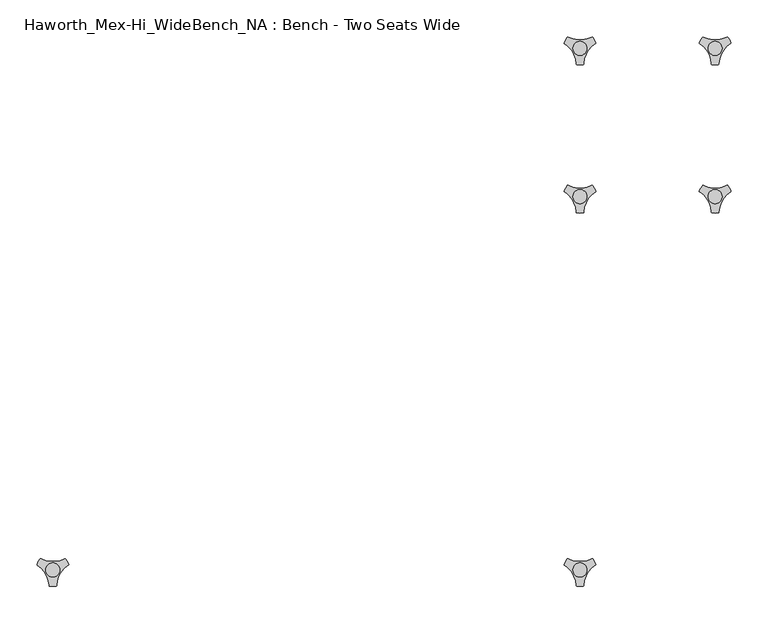
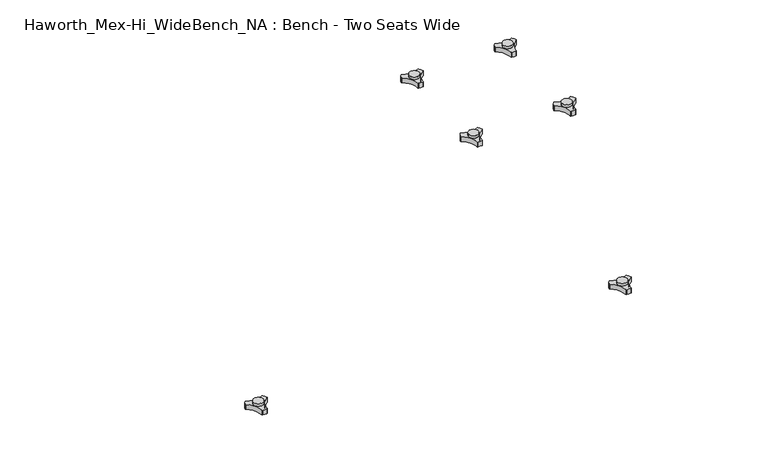
"""IFC4 building model written with IfcOpenShell, lengths in millimetres: furniture geometry, Haworth_Mex-Hi_WideBench_NA : Bench - Two Seats Wide."""

from ifc_helpers import new_model, si_unit, frame, origin, place, context, project, spatial, polyline, circle_curve, source, transform, mapped, element, save
from ifc_brep_helpers import plane_surface, cylinder_surface, revolved_surface, advanced_brep


def haworth_mex_hi_widebench_na_bench_two_seats_wide_e05f9d58(model_context):
    return source(origin(), model_context, "Body", "AdvancedBrep", [
        advanced_brep(
        [(373.838792, -130.2721038, 98.611642), (369.6162038, -137.585841, 98.611642), (370.0141527, -138.7518724, 98.611642), (385.8334234, -166.1516574, 98.611642), (386.6442569, -167.0792988, 98.611642), (395.0894355, -167.0792988, 98.611642), (395.8939637, -165.9895174, 98.611642), (411.9962168, -138.4877144, 98.611642), (412.1174938, -137.5858427, 98.611642), (407.8949039, -130.2721023, 98.611642), (406.6861204, -130.0337175, 98.611642), (375.047572, -130.0337175, 98.611642), (400.2397227, -145.1926245, 98.611642), (381.3347108, -145.1926245, 98.611642), (373.838792, -130.2721038, 88.6531552), (375.047572, -130.0337175, 88.6531552), (406.6861204, -130.0337175, 88.6531552), (407.8949039, -130.2721023, 88.6531552), (412.1174938, -137.5858427, 88.6531552), (411.9962168, -138.4877144, 88.6531552), (395.8939637, -165.9895174, 88.6531552), (395.0894355, -167.0792988, 88.6531552), (386.6442569, -167.0792988, 88.6531552), (385.8334234, -166.1516574, 88.6531552), (370.0141527, -138.7518724, 88.6531552), (369.6162038, -137.585841, 88.6531552), (381.3347108, -145.1926245, 103.6569541), (400.2397227, -145.1926245, 103.6569541)],
        [
            (0, 1, circle_curve(frame((392.09828, -145.690049, 98.611642), z_axis=(0.0, 0.0, 1.0), x_axis=(1.0, 0.0, 0.0)), 23.8981576)),
            (1, 2, circle_curve(frame((370.5437624, -137.920202, 98.611642), z_axis=(0.0, 0.0, 1.0), x_axis=(1.0, 0.0, 0.0)), 0.9859828)),
            (2, 3, circle_curve(frame((351.6187827, -167.6389644, 98.611642), z_axis=(0.0, 0.0, -1.0), x_axis=(1.0, 0.0, 0.0)), 34.246952)),
            (3, 4, circle_curve(frame((386.8184668, -166.1088376, 98.611642), z_axis=(0.0, 0.0, 1.0), x_axis=(1.0, 0.0, 0.0)), 0.9859736)),
            (4, 5, circle_curve(frame((390.8668462, -143.5567534, 98.611642), z_axis=(0.0, 0.0, 1.0), x_axis=(1.0, 0.0, 0.0)), 23.8985439)),
            (5, 6, circle_curve(frame((394.9152236, -166.1088262, 98.611642), z_axis=(0.0, 0.0, 1.0), x_axis=(1.0, 0.0, 0.0)), 0.9859852)),
            (6, 7, circle_curve(frame((430.1156373, -167.5614211, 98.611642), z_axis=(0.0, 0.0, -1.0), x_axis=(1.0, 0.0, 0.0)), 34.2577557)),
            (7, 8, circle_curve(frame((411.1899324, -137.9202011, 98.611642), z_axis=(0.0, 0.0, 1.0), x_axis=(1.0, 0.0, 0.0)), 0.9859847)),
            (8, 9, circle_curve(frame((389.6358034, -145.6898258, 98.611642), z_axis=(0.0, 0.0, 1.0), x_axis=(1.0, 0.0, 0.0)), 23.8977184)),
            (9, 10, circle_curve(frame((407.1415576, -130.9082171, 98.611642), z_axis=(0.0, 0.0, 1.0), x_axis=(1.0, 0.0, 0.0)), 0.9859881)),
            (10, 11, circle_curve(frame((390.8668462, -99.6586209, 98.611642), z_axis=(0.0, 0.0, -1.0), x_axis=(1.0, 0.0, 0.0)), 34.2475683)),
            (11, 0, circle_curve(frame((374.5921369, -130.9082131, 98.611642), z_axis=(0.0, 0.0, 1.0), x_axis=(1.0, 0.0, 0.0)), 0.9859835)),
            (12, 13, circle_curve(frame((390.7872168, -145.1926245, 98.611642), z_axis=(0.0, 0.0, -1.0), x_axis=(1.0, 0.0, 0.0)), 9.452506)),
            (13, 12, circle_curve(frame((390.7872168, -145.1926245, 98.611642), z_axis=(0.0, 0.0, -1.0), x_axis=(1.0, 0.0, 0.0)), 9.452506)),
            (14, 15, circle_curve(frame((374.5921369, -130.9082131, 88.6531552), z_axis=(0.0, 0.0, -1.0), x_axis=(1.0, 0.0, 0.0)), 0.9859835)),
            (15, 16, circle_curve(frame((390.8668462, -99.6586209, 88.6531552), z_axis=(0.0, 0.0, 1.0), x_axis=(1.0, 0.0, 0.0)), 34.2475683)),
            (16, 17, circle_curve(frame((407.1415576, -130.9082171, 88.6531552), z_axis=(0.0, 0.0, -1.0), x_axis=(1.0, 0.0, 0.0)), 0.9859881)),
            (17, 18, circle_curve(frame((389.6358034, -145.6898258, 88.6531552), z_axis=(0.0, 0.0, -1.0), x_axis=(1.0, 0.0, 0.0)), 23.8977184)),
            (18, 19, circle_curve(frame((411.1899324, -137.9202011, 88.6531552), z_axis=(0.0, 0.0, -1.0), x_axis=(1.0, 0.0, 0.0)), 0.9859847)),
            (19, 20, circle_curve(frame((430.1156373, -167.5614211, 88.6531552), z_axis=(0.0, 0.0, 1.0), x_axis=(1.0, 0.0, 0.0)), 34.2577557)),
            (20, 21, circle_curve(frame((394.9152236, -166.1088262, 88.6531552), z_axis=(0.0, 0.0, -1.0), x_axis=(1.0, 0.0, 0.0)), 0.9859852)),
            (21, 22, circle_curve(frame((390.8668462, -143.5567534, 88.6531552), z_axis=(0.0, 0.0, -1.0), x_axis=(1.0, 0.0, 0.0)), 23.8985439)),
            (22, 23, circle_curve(frame((386.8184668, -166.1088376, 88.6531552), z_axis=(0.0, 0.0, -1.0), x_axis=(1.0, 0.0, 0.0)), 0.9859736)),
            (23, 24, circle_curve(frame((351.6187827, -167.6389644, 88.6531552), z_axis=(0.0, 0.0, 1.0), x_axis=(1.0, 0.0, 0.0)), 34.246952)),
            (24, 25, circle_curve(frame((370.5437624, -137.920202, 88.6531552), z_axis=(0.0, 0.0, -1.0), x_axis=(1.0, 0.0, 0.0)), 0.9859828)),
            (25, 14, circle_curve(frame((392.09828, -145.690049, 88.6531552), z_axis=(0.0, 0.0, -1.0), x_axis=(1.0, 0.0, 0.0)), 23.8981576)),
            (26, 27, circle_curve(frame((390.7872168, -145.1926245, 103.6569541), z_axis=(0.0, 0.0, 1.0), x_axis=(1.0, 0.0, 0.0)), 9.452506)),
            (27, 26, circle_curve(frame((390.7872168, -145.1926245, 103.6569541), z_axis=(0.0, 0.0, 1.0), x_axis=(1.0, 0.0, 0.0)), 9.452506)),
            (0, 14),
            (25, 1),
            (24, 2),
            (23, 3),
            (22, 4),
            (21, 5),
            (20, 6),
            (19, 7),
            (18, 8),
            (17, 9),
            (16, 10),
            (15, 11),
            (26, 13),
            (12, 27),
        ],
        [
            plane_surface(frame((415.9964377, -145.690049, 98.611642), z_axis=(0.0, 0.0, 1.0), x_axis=(0.0, 1.0, 0.0))),
            plane_surface(frame((415.9964377, -145.690049, 88.6531552), z_axis=(0.0, 0.0, -1.0), x_axis=(0.0, -1.0, 0.0))),
            plane_surface(frame((400.2397227, -145.1926245, 103.6569541), z_axis=(0.0, 0.0, 1.0), x_axis=(0.0, 1.0, 0.0))),
            cylinder_surface(frame((392.09828, -145.690049, 88.6531552), z_axis=(0.0, 0.0, 1.0), x_axis=(1.0, 0.0, 0.0)), 23.8981576),
            cylinder_surface(frame((370.5437624, -137.920202, 88.6531552), z_axis=(0.0, 0.0, 1.0), x_axis=(1.0, 0.0, 0.0)), 0.9859828),
            revolved_surface(polyline([(385.8657347, -167.6389644, 88.6531552), (385.8657347, -167.6389644, 98.611642)]), (351.6187827, -167.6389644, 88.6531552), (0.0, 0.0, -1.0)),
            cylinder_surface(frame((386.8184668, -166.1088376, 88.6531552), z_axis=(0.0, 0.0, 1.0), x_axis=(1.0, 0.0, 0.0)), 0.9859736),
            cylinder_surface(frame((390.8668462, -143.5567534, 88.6531552), z_axis=(0.0, 0.0, 1.0), x_axis=(1.0, 0.0, 0.0)), 23.8985439),
            cylinder_surface(frame((394.9152236, -166.1088262, 88.6531552), z_axis=(0.0, 0.0, 1.0), x_axis=(1.0, 0.0, 0.0)), 0.9859852),
            revolved_surface(polyline([(464.373393, -167.5614211, 88.6531552), (464.373393, -167.5614211, 98.611642)]), (430.1156373, -167.5614211, 88.6531552), (0.0, 0.0, -1.0)),
            cylinder_surface(frame((411.1899324, -137.9202011, 88.6531552), z_axis=(0.0, 0.0, 1.0), x_axis=(1.0, 0.0, 0.0)), 0.9859847),
            cylinder_surface(frame((389.6358034, -145.6898258, 88.6531552), z_axis=(0.0, 0.0, 1.0), x_axis=(1.0, 0.0, 0.0)), 23.8977184),
            cylinder_surface(frame((407.1415576, -130.9082171, 88.6531552), z_axis=(0.0, 0.0, 1.0), x_axis=(1.0, 0.0, 0.0)), 0.9859881),
            revolved_surface(polyline([(425.1144145, -99.6586209, 88.6531552), (425.1144145, -99.6586209, 98.611642)]), (390.8668462, -99.6586209, 88.6531552), (0.0, 0.0, -1.0)),
            cylinder_surface(frame((374.5921369, -130.9082131, 88.6531552), z_axis=(0.0, 0.0, 1.0), x_axis=(1.0, 0.0, 0.0)), 0.9859835),
            cylinder_surface(frame((390.7872168, -145.1926245, 98.611642), z_axis=(0.0, 0.0, 1.0), x_axis=(1.0, 0.0, 0.0)), 9.452506),
        ],
        [
            (0, [[1, 2, 3, 4, 5, 6, 7, 8, 9, 10, 11, 12], [13, 14]]),
            (1, [[15, 16, 17, 18, 19, 20, 21, 22, 23, 24, 25, 26]]),
            (2, [[27, 28]]),
            (3, [[-1, 29, -26, 30]]),
            (4, [[-2, -30, -25, 31]]),
            (5, [[-3, -31, -24, 32]]),
            (6, [[-4, -32, -23, 33]]),
            (7, [[-5, -33, -22, 34]]),
            (8, [[-6, -34, -21, 35]]),
            (9, [[-7, -35, -20, 36]]),
            (10, [[-8, -36, -19, 37]]),
            (11, [[-9, -37, -18, 38]]),
            (12, [[-10, -38, -17, 39]]),
            (13, [[-11, -39, -16, 40]]),
            (14, [[-12, -40, -15, -29]]),
            (15, [[-27, 41, -13, 42]]),
            (15, [[-28, -42, -14, -41]]),
        ],
    ),
        advanced_brep(
        [(373.838792, 69.7278978, 98.611642), (369.6162038, 62.4141605, 98.611642), (370.0141527, 61.2481292, 98.611642), (385.8334234, 33.8483441, 98.611642), (386.6442569, 32.9207027, 98.611642), (395.0894355, 32.9207027, 98.611642), (395.8939637, 34.0104841, 98.611642), (411.9962168, 61.5122871, 98.611642), (412.1174938, 62.4141588, 98.611642), (407.8949039, 69.7278992, 98.611642), (406.6861204, 69.966284, 98.611642), (375.047572, 69.966284, 98.611642), (400.2397227, 54.807377, 98.611642), (381.3347108, 54.807377, 98.611642), (373.838792, 69.7278978, 88.6531552), (375.047572, 69.966284, 88.6531552), (406.6861204, 69.966284, 88.6531552), (407.8949039, 69.7278992, 88.6531552), (412.1174938, 62.4141588, 88.6531552), (411.9962168, 61.5122871, 88.6531552), (395.8939637, 34.0104841, 88.6531552), (395.0894355, 32.9207027, 88.6531552), (386.6442569, 32.9207027, 88.6531552), (385.8334234, 33.8483441, 88.6531552), (370.0141527, 61.2481292, 88.6531552), (369.6162038, 62.4141605, 88.6531552), (381.3347108, 54.807377, 103.6569541), (400.2397227, 54.807377, 103.6569541)],
        [
            (0, 1, circle_curve(frame((392.09828, 54.3099526, 98.611642), z_axis=(0.0, 0.0, 1.0), x_axis=(1.0, 0.0, 0.0)), 23.8981576)),
            (1, 2, circle_curve(frame((370.5437624, 62.0797996, 98.611642), z_axis=(0.0, 0.0, 1.0), x_axis=(1.0, 0.0, 0.0)), 0.9859828)),
            (2, 3, circle_curve(frame((351.6187827, 32.3610372, 98.611642), z_axis=(0.0, 0.0, -1.0), x_axis=(1.0, 0.0, 0.0)), 34.246952)),
            (3, 4, circle_curve(frame((386.8184668, 33.8911639, 98.611642), z_axis=(0.0, 0.0, 1.0), x_axis=(1.0, 0.0, 0.0)), 0.9859736)),
            (4, 5, circle_curve(frame((390.8668462, 56.4432481, 98.611642), z_axis=(0.0, 0.0, 1.0), x_axis=(1.0, 0.0, 0.0)), 23.8985439)),
            (5, 6, circle_curve(frame((394.9152236, 33.8911753, 98.611642), z_axis=(0.0, 0.0, 1.0), x_axis=(1.0, 0.0, 0.0)), 0.9859852)),
            (6, 7, circle_curve(frame((430.1156373, 32.4385804, 98.611642), z_axis=(0.0, 0.0, -1.0), x_axis=(1.0, 0.0, 0.0)), 34.2577557)),
            (7, 8, circle_curve(frame((411.1899324, 62.0798004, 98.611642), z_axis=(0.0, 0.0, 1.0), x_axis=(1.0, 0.0, 0.0)), 0.9859847)),
            (8, 9, circle_curve(frame((389.6358034, 54.3101757, 98.611642), z_axis=(0.0, 0.0, 1.0), x_axis=(1.0, 0.0, 0.0)), 23.8977184)),
            (9, 10, circle_curve(frame((407.1415576, 69.0917844, 98.611642), z_axis=(0.0, 0.0, 1.0), x_axis=(1.0, 0.0, 0.0)), 0.9859881)),
            (10, 11, circle_curve(frame((390.8668462, 100.3413806, 98.611642), z_axis=(0.0, 0.0, -1.0), x_axis=(1.0, 0.0, 0.0)), 34.2475683)),
            (11, 0, circle_curve(frame((374.5921369, 69.0917885, 98.611642), z_axis=(0.0, 0.0, 1.0), x_axis=(1.0, 0.0, 0.0)), 0.9859835)),
            (12, 13, circle_curve(frame((390.7872168, 54.807377, 98.611642), z_axis=(0.0, 0.0, -1.0), x_axis=(1.0, 0.0, 0.0)), 9.452506)),
            (13, 12, circle_curve(frame((390.7872168, 54.807377, 98.611642), z_axis=(0.0, 0.0, -1.0), x_axis=(1.0, 0.0, 0.0)), 9.452506)),
            (14, 15, circle_curve(frame((374.5921369, 69.0917885, 88.6531552), z_axis=(0.0, 0.0, -1.0), x_axis=(1.0, 0.0, 0.0)), 0.9859835)),
            (15, 16, circle_curve(frame((390.8668462, 100.3413806, 88.6531552), z_axis=(0.0, 0.0, 1.0), x_axis=(1.0, 0.0, 0.0)), 34.2475683)),
            (16, 17, circle_curve(frame((407.1415576, 69.0917844, 88.6531552), z_axis=(0.0, 0.0, -1.0), x_axis=(1.0, 0.0, 0.0)), 0.9859881)),
            (17, 18, circle_curve(frame((389.6358034, 54.3101757, 88.6531552), z_axis=(0.0, 0.0, -1.0), x_axis=(1.0, 0.0, 0.0)), 23.8977184)),
            (18, 19, circle_curve(frame((411.1899324, 62.0798004, 88.6531552), z_axis=(0.0, 0.0, -1.0), x_axis=(1.0, 0.0, 0.0)), 0.9859847)),
            (19, 20, circle_curve(frame((430.1156373, 32.4385804, 88.6531552), z_axis=(0.0, 0.0, 1.0), x_axis=(1.0, 0.0, 0.0)), 34.2577557)),
            (20, 21, circle_curve(frame((394.9152236, 33.8911753, 88.6531552), z_axis=(0.0, 0.0, -1.0), x_axis=(1.0, 0.0, 0.0)), 0.9859852)),
            (21, 22, circle_curve(frame((390.8668462, 56.4432481, 88.6531552), z_axis=(0.0, 0.0, -1.0), x_axis=(1.0, 0.0, 0.0)), 23.8985439)),
            (22, 23, circle_curve(frame((386.8184668, 33.8911639, 88.6531552), z_axis=(0.0, 0.0, -1.0), x_axis=(1.0, 0.0, 0.0)), 0.9859736)),
            (23, 24, circle_curve(frame((351.6187827, 32.3610372, 88.6531552), z_axis=(0.0, 0.0, 1.0), x_axis=(1.0, 0.0, 0.0)), 34.246952)),
            (24, 25, circle_curve(frame((370.5437624, 62.0797996, 88.6531552), z_axis=(0.0, 0.0, -1.0), x_axis=(1.0, 0.0, 0.0)), 0.9859828)),
            (25, 14, circle_curve(frame((392.09828, 54.3099526, 88.6531552), z_axis=(0.0, 0.0, -1.0), x_axis=(1.0, 0.0, 0.0)), 23.8981576)),
            (26, 27, circle_curve(frame((390.7872168, 54.807377, 103.6569541), z_axis=(0.0, 0.0, 1.0), x_axis=(1.0, 0.0, 0.0)), 9.452506)),
            (27, 26, circle_curve(frame((390.7872168, 54.807377, 103.6569541), z_axis=(0.0, 0.0, 1.0), x_axis=(1.0, 0.0, 0.0)), 9.452506)),
            (0, 14),
            (25, 1),
            (24, 2),
            (23, 3),
            (22, 4),
            (21, 5),
            (20, 6),
            (19, 7),
            (18, 8),
            (17, 9),
            (16, 10),
            (15, 11),
            (26, 13),
            (12, 27),
        ],
        [
            plane_surface(frame((415.9964377, 54.3099526, 98.611642), z_axis=(0.0, 0.0, 1.0), x_axis=(0.0, 1.0, 0.0))),
            plane_surface(frame((415.9964377, 54.3099526, 88.6531552), z_axis=(0.0, 0.0, -1.0), x_axis=(0.0, -1.0, 0.0))),
            plane_surface(frame((400.2397227, 54.807377, 103.6569541), z_axis=(0.0, 0.0, 1.0), x_axis=(0.0, 1.0, 0.0))),
            cylinder_surface(frame((392.09828, 54.3099526, 88.6531552), z_axis=(0.0, 0.0, 1.0), x_axis=(1.0, 0.0, 0.0)), 23.8981576),
            cylinder_surface(frame((370.5437624, 62.0797996, 88.6531552), z_axis=(0.0, 0.0, 1.0), x_axis=(1.0, 0.0, 0.0)), 0.9859828),
            revolved_surface(polyline([(385.8657347, 32.3610372, 88.6531552), (385.8657347, 32.3610372, 98.611642)]), (351.6187827, 32.3610372, 88.6531552), (0.0, 0.0, -1.0)),
            cylinder_surface(frame((386.8184668, 33.8911639, 88.6531552), z_axis=(0.0, 0.0, 1.0), x_axis=(1.0, 0.0, 0.0)), 0.9859736),
            cylinder_surface(frame((390.8668462, 56.4432481, 88.6531552), z_axis=(0.0, 0.0, 1.0), x_axis=(1.0, 0.0, 0.0)), 23.8985439),
            cylinder_surface(frame((394.9152236, 33.8911753, 88.6531552), z_axis=(0.0, 0.0, 1.0), x_axis=(1.0, 0.0, 0.0)), 0.9859852),
            revolved_surface(polyline([(464.373393, 32.4385804, 88.6531552), (464.373393, 32.4385804, 98.611642)]), (430.1156373, 32.4385804, 88.6531552), (0.0, 0.0, -1.0)),
            cylinder_surface(frame((411.1899324, 62.0798004, 88.6531552), z_axis=(0.0, 0.0, 1.0), x_axis=(1.0, 0.0, 0.0)), 0.9859847),
            cylinder_surface(frame((389.6358034, 54.3101757, 88.6531552), z_axis=(0.0, 0.0, 1.0), x_axis=(1.0, 0.0, 0.0)), 23.8977184),
            cylinder_surface(frame((407.1415576, 69.0917844, 88.6531552), z_axis=(0.0, 0.0, 1.0), x_axis=(1.0, 0.0, 0.0)), 0.9859881),
            revolved_surface(polyline([(425.1144145, 100.3413806, 88.6531552), (425.1144145, 100.3413806, 98.611642)]), (390.8668462, 100.3413806, 88.6531552), (0.0, 0.0, -1.0)),
            cylinder_surface(frame((374.5921369, 69.0917885, 88.6531552), z_axis=(0.0, 0.0, 1.0), x_axis=(1.0, 0.0, 0.0)), 0.9859835),
            cylinder_surface(frame((390.7872168, 54.807377, 98.611642), z_axis=(0.0, 0.0, 1.0), x_axis=(1.0, 0.0, 0.0)), 9.452506),
        ],
        [
            (0, [[1, 2, 3, 4, 5, 6, 7, 8, 9, 10, 11, 12], [13, 14]]),
            (1, [[15, 16, 17, 18, 19, 20, 21, 22, 23, 24, 25, 26]]),
            (2, [[27, 28]]),
            (3, [[-1, 29, -26, 30]]),
            (4, [[-2, -30, -25, 31]]),
            (5, [[-3, -31, -24, 32]]),
            (6, [[-4, -32, -23, 33]]),
            (7, [[-5, -33, -22, 34]]),
            (8, [[-6, -34, -21, 35]]),
            (9, [[-7, -35, -20, 36]]),
            (10, [[-8, -36, -19, 37]]),
            (11, [[-9, -37, -18, 38]]),
            (12, [[-10, -38, -17, 39]]),
            (13, [[-11, -39, -16, 40]]),
            (14, [[-12, -40, -15, -29]]),
            (15, [[-27, 41, -13, 42]]),
            (15, [[-28, -42, -14, -41]]),
        ],
    ),
        advanced_brep(
        [(191.4388063, 69.7278978, 98.611642), (187.2162181, 62.4141605, 98.611642), (187.614167, 61.2481292, 98.611642), (203.4334377, 33.8483441, 98.611642), (204.2442712, 32.9207027, 98.611642), (212.6894498, 32.9207027, 98.611642), (213.493978, 34.0104841, 98.611642), (229.5962311, 61.5122871, 98.611642), (229.7175081, 62.4141588, 98.611642), (225.4949182, 69.7278992, 98.611642), (224.2861347, 69.966284, 98.611642), (192.6475863, 69.966284, 98.611642), (217.839737, 54.807377, 98.611642), (198.9347251, 54.807377, 98.611642), (191.4388063, 69.7278978, 88.6531552), (192.6475863, 69.966284, 88.6531552), (224.2861347, 69.966284, 88.6531552), (225.4949182, 69.7278992, 88.6531552), (229.7175081, 62.4141588, 88.6531552), (229.5962311, 61.5122871, 88.6531552), (213.493978, 34.0104841, 88.6531552), (212.6894498, 32.9207027, 88.6531552), (204.2442712, 32.9207027, 88.6531552), (203.4334377, 33.8483441, 88.6531552), (187.614167, 61.2481292, 88.6531552), (187.2162181, 62.4141605, 88.6531552), (198.9347251, 54.807377, 103.6569541), (217.839737, 54.807377, 103.6569541)],
        [
            (0, 1, circle_curve(frame((209.6982944, 54.3099526, 98.611642), z_axis=(0.0, 0.0, 1.0), x_axis=(1.0, 0.0, 0.0)), 23.8981576)),
            (1, 2, circle_curve(frame((188.1437767, 62.0797996, 98.611642), z_axis=(0.0, 0.0, 1.0), x_axis=(1.0, 0.0, 0.0)), 0.9859828)),
            (2, 3, circle_curve(frame((169.218797, 32.3610372, 98.611642), z_axis=(0.0, 0.0, -1.0), x_axis=(1.0, 0.0, 0.0)), 34.246952)),
            (3, 4, circle_curve(frame((204.4184811, 33.8911639, 98.611642), z_axis=(0.0, 0.0, 1.0), x_axis=(1.0, 0.0, 0.0)), 0.9859736)),
            (4, 5, circle_curve(frame((208.4668605, 56.4432481, 98.611642), z_axis=(0.0, 0.0, 1.0), x_axis=(1.0, 0.0, 0.0)), 23.8985439)),
            (5, 6, circle_curve(frame((212.5152379, 33.8911753, 98.611642), z_axis=(0.0, 0.0, 1.0), x_axis=(1.0, 0.0, 0.0)), 0.9859852)),
            (6, 7, circle_curve(frame((247.7156517, 32.4385804, 98.611642), z_axis=(0.0, 0.0, -1.0), x_axis=(1.0, 0.0, 0.0)), 34.2577557)),
            (7, 8, circle_curve(frame((228.7899467, 62.0798004, 98.611642), z_axis=(0.0, 0.0, 1.0), x_axis=(1.0, 0.0, 0.0)), 0.9859847)),
            (8, 9, circle_curve(frame((207.2358178, 54.3101757, 98.611642), z_axis=(0.0, 0.0, 1.0), x_axis=(1.0, 0.0, 0.0)), 23.8977184)),
            (9, 10, circle_curve(frame((224.7415719, 69.0917844, 98.611642), z_axis=(0.0, 0.0, 1.0), x_axis=(1.0, 0.0, 0.0)), 0.9859881)),
            (10, 11, circle_curve(frame((208.4668605, 100.3413806, 98.611642), z_axis=(0.0, 0.0, -1.0), x_axis=(1.0, 0.0, 0.0)), 34.2475683)),
            (11, 0, circle_curve(frame((192.1921512, 69.0917885, 98.611642), z_axis=(0.0, 0.0, 1.0), x_axis=(1.0, 0.0, 0.0)), 0.9859835)),
            (12, 13, circle_curve(frame((208.3872311, 54.807377, 98.611642), z_axis=(0.0, 0.0, -1.0), x_axis=(1.0, 0.0, 0.0)), 9.452506)),
            (13, 12, circle_curve(frame((208.3872311, 54.807377, 98.611642), z_axis=(0.0, 0.0, -1.0), x_axis=(1.0, 0.0, 0.0)), 9.452506)),
            (14, 15, circle_curve(frame((192.1921512, 69.0917885, 88.6531552), z_axis=(0.0, 0.0, -1.0), x_axis=(1.0, 0.0, 0.0)), 0.9859835)),
            (15, 16, circle_curve(frame((208.4668605, 100.3413806, 88.6531552), z_axis=(0.0, 0.0, 1.0), x_axis=(1.0, 0.0, 0.0)), 34.2475683)),
            (16, 17, circle_curve(frame((224.7415719, 69.0917844, 88.6531552), z_axis=(0.0, 0.0, -1.0), x_axis=(1.0, 0.0, 0.0)), 0.9859881)),
            (17, 18, circle_curve(frame((207.2358178, 54.3101757, 88.6531552), z_axis=(0.0, 0.0, -1.0), x_axis=(1.0, 0.0, 0.0)), 23.8977184)),
            (18, 19, circle_curve(frame((228.7899467, 62.0798004, 88.6531552), z_axis=(0.0, 0.0, -1.0), x_axis=(1.0, 0.0, 0.0)), 0.9859847)),
            (19, 20, circle_curve(frame((247.7156517, 32.4385804, 88.6531552), z_axis=(0.0, 0.0, 1.0), x_axis=(1.0, 0.0, 0.0)), 34.2577557)),
            (20, 21, circle_curve(frame((212.5152379, 33.8911753, 88.6531552), z_axis=(0.0, 0.0, -1.0), x_axis=(1.0, 0.0, 0.0)), 0.9859852)),
            (21, 22, circle_curve(frame((208.4668605, 56.4432481, 88.6531552), z_axis=(0.0, 0.0, -1.0), x_axis=(1.0, 0.0, 0.0)), 23.8985439)),
            (22, 23, circle_curve(frame((204.4184811, 33.8911639, 88.6531552), z_axis=(0.0, 0.0, -1.0), x_axis=(1.0, 0.0, 0.0)), 0.9859736)),
            (23, 24, circle_curve(frame((169.218797, 32.3610372, 88.6531552), z_axis=(0.0, 0.0, 1.0), x_axis=(1.0, 0.0, 0.0)), 34.246952)),
            (24, 25, circle_curve(frame((188.1437767, 62.0797996, 88.6531552), z_axis=(0.0, 0.0, -1.0), x_axis=(1.0, 0.0, 0.0)), 0.9859828)),
            (25, 14, circle_curve(frame((209.6982944, 54.3099526, 88.6531552), z_axis=(0.0, 0.0, -1.0), x_axis=(1.0, 0.0, 0.0)), 23.8981576)),
            (26, 27, circle_curve(frame((208.3872311, 54.807377, 103.6569541), z_axis=(0.0, 0.0, 1.0), x_axis=(1.0, 0.0, 0.0)), 9.452506)),
            (27, 26, circle_curve(frame((208.3872311, 54.807377, 103.6569541), z_axis=(0.0, 0.0, 1.0), x_axis=(1.0, 0.0, 0.0)), 9.452506)),
            (0, 14),
            (25, 1),
            (24, 2),
            (23, 3),
            (22, 4),
            (21, 5),
            (20, 6),
            (19, 7),
            (18, 8),
            (17, 9),
            (16, 10),
            (15, 11),
            (26, 13),
            (12, 27),
        ],
        [
            plane_surface(frame((233.596452, 54.3099526, 98.611642), z_axis=(0.0, 0.0, 1.0), x_axis=(0.0, 1.0, 0.0))),
            plane_surface(frame((233.596452, 54.3099526, 88.6531552), z_axis=(0.0, 0.0, -1.0), x_axis=(0.0, -1.0, 0.0))),
            plane_surface(frame((217.839737, 54.807377, 103.6569541), z_axis=(0.0, 0.0, 1.0), x_axis=(0.0, 1.0, 0.0))),
            cylinder_surface(frame((209.6982944, 54.3099526, 88.6531552), z_axis=(0.0, 0.0, 1.0), x_axis=(1.0, 0.0, 0.0)), 23.8981576),
            cylinder_surface(frame((188.1437767, 62.0797996, 88.6531552), z_axis=(0.0, 0.0, 1.0), x_axis=(1.0, 0.0, 0.0)), 0.9859828),
            revolved_surface(polyline([(203.465749, 32.3610372, 88.6531552), (203.465749, 32.3610372, 98.611642)]), (169.218797, 32.3610372, 88.6531552), (0.0, 0.0, -1.0)),
            cylinder_surface(frame((204.4184811, 33.8911639, 88.6531552), z_axis=(0.0, 0.0, 1.0), x_axis=(1.0, 0.0, 0.0)), 0.9859736),
            cylinder_surface(frame((208.4668605, 56.4432481, 88.6531552), z_axis=(0.0, 0.0, 1.0), x_axis=(1.0, 0.0, 0.0)), 23.8985439),
            cylinder_surface(frame((212.5152379, 33.8911753, 88.6531552), z_axis=(0.0, 0.0, 1.0), x_axis=(1.0, 0.0, 0.0)), 0.9859852),
            revolved_surface(polyline([(281.9734074, 32.4385804, 88.6531552), (281.9734074, 32.4385804, 98.611642)]), (247.7156517, 32.4385804, 88.6531552), (0.0, 0.0, -1.0)),
            cylinder_surface(frame((228.7899467, 62.0798004, 88.6531552), z_axis=(0.0, 0.0, 1.0), x_axis=(1.0, 0.0, 0.0)), 0.9859847),
            cylinder_surface(frame((207.2358178, 54.3101757, 88.6531552), z_axis=(0.0, 0.0, 1.0), x_axis=(1.0, 0.0, 0.0)), 23.8977184),
            cylinder_surface(frame((224.7415719, 69.0917844, 88.6531552), z_axis=(0.0, 0.0, 1.0), x_axis=(1.0, 0.0, 0.0)), 0.9859881),
            revolved_surface(polyline([(242.7144288, 100.3413806, 88.6531552), (242.7144288, 100.3413806, 98.611642)]), (208.4668605, 100.3413806, 88.6531552), (0.0, 0.0, -1.0)),
            cylinder_surface(frame((192.1921512, 69.0917885, 88.6531552), z_axis=(0.0, 0.0, 1.0), x_axis=(1.0, 0.0, 0.0)), 0.9859835),
            cylinder_surface(frame((208.3872311, 54.807377, 98.611642), z_axis=(0.0, 0.0, 1.0), x_axis=(1.0, 0.0, 0.0)), 9.452506),
        ],
        [
            (0, [[1, 2, 3, 4, 5, 6, 7, 8, 9, 10, 11, 12], [13, 14]]),
            (1, [[15, 16, 17, 18, 19, 20, 21, 22, 23, 24, 25, 26]]),
            (2, [[27, 28]]),
            (3, [[-1, 29, -26, 30]]),
            (4, [[-2, -30, -25, 31]]),
            (5, [[-3, -31, -24, 32]]),
            (6, [[-4, -32, -23, 33]]),
            (7, [[-5, -33, -22, 34]]),
            (8, [[-6, -34, -21, 35]]),
            (9, [[-7, -35, -20, 36]]),
            (10, [[-8, -36, -19, 37]]),
            (11, [[-9, -37, -18, 38]]),
            (12, [[-10, -38, -17, 39]]),
            (13, [[-11, -39, -16, 40]]),
            (14, [[-12, -40, -15, -29]]),
            (15, [[-27, 41, -13, 42]]),
            (15, [[-28, -42, -14, -41]]),
        ],
    ),
        advanced_brep(
        [(191.4388063, -130.2721038, 98.611642), (187.2162181, -137.585841, 98.611642), (187.614167, -138.7518724, 98.611642), (203.4334377, -166.1516574, 98.611642), (204.2442712, -167.0792988, 98.611642), (212.6894498, -167.0792988, 98.611642), (213.493978, -165.9895174, 98.611642), (229.5962311, -138.4877144, 98.611642), (229.7175081, -137.5858427, 98.611642), (225.4949182, -130.2721023, 98.611642), (224.2861347, -130.0337175, 98.611642), (192.6475863, -130.0337175, 98.611642), (217.839737, -145.1926245, 98.611642), (198.9347251, -145.1926245, 98.611642), (191.4388063, -130.2721038, 88.6531552), (192.6475863, -130.0337175, 88.6531552), (224.2861347, -130.0337175, 88.6531552), (225.4949182, -130.2721023, 88.6531552), (229.7175081, -137.5858427, 88.6531552), (229.5962311, -138.4877144, 88.6531552), (213.493978, -165.9895174, 88.6531552), (212.6894498, -167.0792988, 88.6531552), (204.2442712, -167.0792988, 88.6531552), (203.4334377, -166.1516574, 88.6531552), (187.614167, -138.7518724, 88.6531552), (187.2162181, -137.585841, 88.6531552), (198.9347251, -145.1926245, 103.6569541), (217.839737, -145.1926245, 103.6569541)],
        [
            (0, 1, circle_curve(frame((209.6982944, -145.690049, 98.611642), z_axis=(0.0, 0.0, 1.0), x_axis=(1.0, 0.0, 0.0)), 23.8981576)),
            (1, 2, circle_curve(frame((188.1437767, -137.920202, 98.611642), z_axis=(0.0, 0.0, 1.0), x_axis=(1.0, 0.0, 0.0)), 0.9859828)),
            (2, 3, circle_curve(frame((169.218797, -167.6389644, 98.611642), z_axis=(0.0, 0.0, -1.0), x_axis=(1.0, 0.0, 0.0)), 34.246952)),
            (3, 4, circle_curve(frame((204.4184811, -166.1088376, 98.611642), z_axis=(0.0, 0.0, 1.0), x_axis=(1.0, 0.0, 0.0)), 0.9859736)),
            (4, 5, circle_curve(frame((208.4668605, -143.5567534, 98.611642), z_axis=(0.0, 0.0, 1.0), x_axis=(1.0, 0.0, 0.0)), 23.8985439)),
            (5, 6, circle_curve(frame((212.5152379, -166.1088262, 98.611642), z_axis=(0.0, 0.0, 1.0), x_axis=(1.0, 0.0, 0.0)), 0.9859852)),
            (6, 7, circle_curve(frame((247.7156517, -167.5614211, 98.611642), z_axis=(0.0, 0.0, -1.0), x_axis=(1.0, 0.0, 0.0)), 34.2577557)),
            (7, 8, circle_curve(frame((228.7899467, -137.9202011, 98.611642), z_axis=(0.0, 0.0, 1.0), x_axis=(1.0, 0.0, 0.0)), 0.9859847)),
            (8, 9, circle_curve(frame((207.2358178, -145.6898258, 98.611642), z_axis=(0.0, 0.0, 1.0), x_axis=(1.0, 0.0, 0.0)), 23.8977184)),
            (9, 10, circle_curve(frame((224.7415719, -130.9082171, 98.611642), z_axis=(0.0, 0.0, 1.0), x_axis=(1.0, 0.0, 0.0)), 0.9859881)),
            (10, 11, circle_curve(frame((208.4668605, -99.6586209, 98.611642), z_axis=(0.0, 0.0, -1.0), x_axis=(1.0, 0.0, 0.0)), 34.2475683)),
            (11, 0, circle_curve(frame((192.1921512, -130.9082131, 98.611642), z_axis=(0.0, 0.0, 1.0), x_axis=(1.0, 0.0, 0.0)), 0.9859835)),
            (12, 13, circle_curve(frame((208.3872311, -145.1926245, 98.611642), z_axis=(0.0, 0.0, -1.0), x_axis=(1.0, 0.0, 0.0)), 9.452506)),
            (13, 12, circle_curve(frame((208.3872311, -145.1926245, 98.611642), z_axis=(0.0, 0.0, -1.0), x_axis=(1.0, 0.0, 0.0)), 9.452506)),
            (14, 15, circle_curve(frame((192.1921512, -130.9082131, 88.6531552), z_axis=(0.0, 0.0, -1.0), x_axis=(1.0, 0.0, 0.0)), 0.9859835)),
            (15, 16, circle_curve(frame((208.4668605, -99.6586209, 88.6531552), z_axis=(0.0, 0.0, 1.0), x_axis=(1.0, 0.0, 0.0)), 34.2475683)),
            (16, 17, circle_curve(frame((224.7415719, -130.9082171, 88.6531552), z_axis=(0.0, 0.0, -1.0), x_axis=(1.0, 0.0, 0.0)), 0.9859881)),
            (17, 18, circle_curve(frame((207.2358178, -145.6898258, 88.6531552), z_axis=(0.0, 0.0, -1.0), x_axis=(1.0, 0.0, 0.0)), 23.8977184)),
            (18, 19, circle_curve(frame((228.7899467, -137.9202011, 88.6531552), z_axis=(0.0, 0.0, -1.0), x_axis=(1.0, 0.0, 0.0)), 0.9859847)),
            (19, 20, circle_curve(frame((247.7156517, -167.5614211, 88.6531552), z_axis=(0.0, 0.0, 1.0), x_axis=(1.0, 0.0, 0.0)), 34.2577557)),
            (20, 21, circle_curve(frame((212.5152379, -166.1088262, 88.6531552), z_axis=(0.0, 0.0, -1.0), x_axis=(1.0, 0.0, 0.0)), 0.9859852)),
            (21, 22, circle_curve(frame((208.4668605, -143.5567534, 88.6531552), z_axis=(0.0, 0.0, -1.0), x_axis=(1.0, 0.0, 0.0)), 23.8985439)),
            (22, 23, circle_curve(frame((204.4184811, -166.1088376, 88.6531552), z_axis=(0.0, 0.0, -1.0), x_axis=(1.0, 0.0, 0.0)), 0.9859736)),
            (23, 24, circle_curve(frame((169.218797, -167.6389644, 88.6531552), z_axis=(0.0, 0.0, 1.0), x_axis=(1.0, 0.0, 0.0)), 34.246952)),
            (24, 25, circle_curve(frame((188.1437767, -137.920202, 88.6531552), z_axis=(0.0, 0.0, -1.0), x_axis=(1.0, 0.0, 0.0)), 0.9859828)),
            (25, 14, circle_curve(frame((209.6982944, -145.690049, 88.6531552), z_axis=(0.0, 0.0, -1.0), x_axis=(1.0, 0.0, 0.0)), 23.8981576)),
            (26, 27, circle_curve(frame((208.3872311, -145.1926245, 103.6569541), z_axis=(0.0, 0.0, 1.0), x_axis=(1.0, 0.0, 0.0)), 9.452506)),
            (27, 26, circle_curve(frame((208.3872311, -145.1926245, 103.6569541), z_axis=(0.0, 0.0, 1.0), x_axis=(1.0, 0.0, 0.0)), 9.452506)),
            (0, 14),
            (25, 1),
            (24, 2),
            (23, 3),
            (22, 4),
            (21, 5),
            (20, 6),
            (19, 7),
            (18, 8),
            (17, 9),
            (16, 10),
            (15, 11),
            (26, 13),
            (12, 27),
        ],
        [
            plane_surface(frame((233.596452, -145.690049, 98.611642), z_axis=(0.0, 0.0, 1.0), x_axis=(0.0, 1.0, 0.0))),
            plane_surface(frame((233.596452, -145.690049, 88.6531552), z_axis=(0.0, 0.0, -1.0), x_axis=(0.0, -1.0, 0.0))),
            plane_surface(frame((217.839737, -145.1926245, 103.6569541), z_axis=(0.0, 0.0, 1.0), x_axis=(0.0, 1.0, 0.0))),
            cylinder_surface(frame((209.6982944, -145.690049, 88.6531552), z_axis=(0.0, 0.0, 1.0), x_axis=(1.0, 0.0, 0.0)), 23.8981576),
            cylinder_surface(frame((188.1437767, -137.920202, 88.6531552), z_axis=(0.0, 0.0, 1.0), x_axis=(1.0, 0.0, 0.0)), 0.9859828),
            revolved_surface(polyline([(203.465749, -167.6389644, 88.6531552), (203.465749, -167.6389644, 98.611642)]), (169.218797, -167.6389644, 88.6531552), (0.0, 0.0, -1.0)),
            cylinder_surface(frame((204.4184811, -166.1088376, 88.6531552), z_axis=(0.0, 0.0, 1.0), x_axis=(1.0, 0.0, 0.0)), 0.9859736),
            cylinder_surface(frame((208.4668605, -143.5567534, 88.6531552), z_axis=(0.0, 0.0, 1.0), x_axis=(1.0, 0.0, 0.0)), 23.8985439),
            cylinder_surface(frame((212.5152379, -166.1088262, 88.6531552), z_axis=(0.0, 0.0, 1.0), x_axis=(1.0, 0.0, 0.0)), 0.9859852),
            revolved_surface(polyline([(281.9734074, -167.5614211, 88.6531552), (281.9734074, -167.5614211, 98.611642)]), (247.7156517, -167.5614211, 88.6531552), (0.0, 0.0, -1.0)),
            cylinder_surface(frame((228.7899467, -137.9202011, 88.6531552), z_axis=(0.0, 0.0, 1.0), x_axis=(1.0, 0.0, 0.0)), 0.9859847),
            cylinder_surface(frame((207.2358178, -145.6898258, 88.6531552), z_axis=(0.0, 0.0, 1.0), x_axis=(1.0, 0.0, 0.0)), 23.8977184),
            cylinder_surface(frame((224.7415719, -130.9082171, 88.6531552), z_axis=(0.0, 0.0, 1.0), x_axis=(1.0, 0.0, 0.0)), 0.9859881),
            revolved_surface(polyline([(242.7144288, -99.6586209, 88.6531552), (242.7144288, -99.6586209, 98.611642)]), (208.4668605, -99.6586209, 88.6531552), (0.0, 0.0, -1.0)),
            cylinder_surface(frame((192.1921512, -130.9082131, 88.6531552), z_axis=(0.0, 0.0, 1.0), x_axis=(1.0, 0.0, 0.0)), 0.9859835),
            cylinder_surface(frame((208.3872311, -145.1926245, 98.611642), z_axis=(0.0, 0.0, 1.0), x_axis=(1.0, 0.0, 0.0)), 9.452506),
        ],
        [
            (0, [[1, 2, 3, 4, 5, 6, 7, 8, 9, 10, 11, 12], [13, 14]]),
            (1, [[15, 16, 17, 18, 19, 20, 21, 22, 23, 24, 25, 26]]),
            (2, [[27, 28]]),
            (3, [[-1, 29, -26, 30]]),
            (4, [[-2, -30, -25, 31]]),
            (5, [[-3, -31, -24, 32]]),
            (6, [[-4, -32, -23, 33]]),
            (7, [[-5, -33, -22, 34]]),
            (8, [[-6, -34, -21, 35]]),
            (9, [[-7, -35, -20, 36]]),
            (10, [[-8, -36, -19, 37]]),
            (11, [[-9, -37, -18, 38]]),
            (12, [[-10, -38, -17, 39]]),
            (13, [[-11, -39, -16, 40]]),
            (14, [[-12, -40, -15, -29]]),
            (15, [[-27, 41, -13, 42]]),
            (15, [[-28, -42, -14, -41]]),
        ],
    ),
        advanced_brep(
        [(191.4388063, -633.9963447, 98.611642), (187.2162181, -641.3100819, 98.611642), (187.614167, -642.4761133, 98.611642), (203.4334377, -669.8758983, 98.611642), (204.2442712, -670.8035397, 98.611642), (212.6894498, -670.8035397, 98.611642), (213.493978, -669.7137583, 98.611642), (229.5962311, -642.2119553, 98.611642), (229.7175081, -641.3100836, 98.611642), (225.4949182, -633.9963432, 98.611642), (224.2861347, -633.7579584, 98.611642), (192.6475863, -633.7579584, 98.611642), (217.839737, -648.9168654, 98.611642), (198.9347251, -648.9168654, 98.611642), (191.4388063, -633.9963447, 88.6531552), (192.6475863, -633.7579584, 88.6531552), (224.2861347, -633.7579584, 88.6531552), (225.4949182, -633.9963432, 88.6531552), (229.7175081, -641.3100836, 88.6531552), (229.5962311, -642.2119553, 88.6531552), (213.493978, -669.7137583, 88.6531552), (212.6894498, -670.8035397, 88.6531552), (204.2442712, -670.8035397, 88.6531552), (203.4334377, -669.8758983, 88.6531552), (187.614167, -642.4761133, 88.6531552), (187.2162181, -641.3100819, 88.6531552), (198.9347251, -648.9168654, 103.6569541), (217.839737, -648.9168654, 103.6569541)],
        [
            (0, 1, circle_curve(frame((209.6982944, -649.4142898, 98.611642), z_axis=(0.0, 0.0, 1.0), x_axis=(1.0, 0.0, 0.0)), 23.8981576)),
            (1, 2, circle_curve(frame((188.1437767, -641.6444428, 98.611642), z_axis=(0.0, 0.0, 1.0), x_axis=(1.0, 0.0, 0.0)), 0.9859828)),
            (2, 3, circle_curve(frame((169.218797, -671.3632053, 98.611642), z_axis=(0.0, 0.0, -1.0), x_axis=(1.0, 0.0, 0.0)), 34.246952)),
            (3, 4, circle_curve(frame((204.4184811, -669.8330785, 98.611642), z_axis=(0.0, 0.0, 1.0), x_axis=(1.0, 0.0, 0.0)), 0.9859736)),
            (4, 5, circle_curve(frame((208.4668605, -647.2809943, 98.611642), z_axis=(0.0, 0.0, 1.0), x_axis=(1.0, 0.0, 0.0)), 23.8985439)),
            (5, 6, circle_curve(frame((212.5152379, -669.8330671, 98.611642), z_axis=(0.0, 0.0, 1.0), x_axis=(1.0, 0.0, 0.0)), 0.9859852)),
            (6, 7, circle_curve(frame((247.7156517, -671.285662, 98.611642), z_axis=(0.0, 0.0, -1.0), x_axis=(1.0, 0.0, 0.0)), 34.2577557)),
            (7, 8, circle_curve(frame((228.7899467, -641.644442, 98.611642), z_axis=(0.0, 0.0, 1.0), x_axis=(1.0, 0.0, 0.0)), 0.9859847)),
            (8, 9, circle_curve(frame((207.2358178, -649.4140667, 98.611642), z_axis=(0.0, 0.0, 1.0), x_axis=(1.0, 0.0, 0.0)), 23.8977184)),
            (9, 10, circle_curve(frame((224.7415719, -634.632458, 98.611642), z_axis=(0.0, 0.0, 1.0), x_axis=(1.0, 0.0, 0.0)), 0.9859881)),
            (10, 11, circle_curve(frame((208.4668605, -603.3828618, 98.611642), z_axis=(0.0, 0.0, -1.0), x_axis=(1.0, 0.0, 0.0)), 34.2475683)),
            (11, 0, circle_curve(frame((192.1921512, -634.632454, 98.611642), z_axis=(0.0, 0.0, 1.0), x_axis=(1.0, 0.0, 0.0)), 0.9859835)),
            (12, 13, circle_curve(frame((208.3872311, -648.9168654, 98.611642), z_axis=(0.0, 0.0, -1.0), x_axis=(1.0, 0.0, 0.0)), 9.452506)),
            (13, 12, circle_curve(frame((208.3872311, -648.9168654, 98.611642), z_axis=(0.0, 0.0, -1.0), x_axis=(1.0, 0.0, 0.0)), 9.452506)),
            (14, 15, circle_curve(frame((192.1921512, -634.632454, 88.6531552), z_axis=(0.0, 0.0, -1.0), x_axis=(1.0, 0.0, 0.0)), 0.9859835)),
            (15, 16, circle_curve(frame((208.4668605, -603.3828618, 88.6531552), z_axis=(0.0, 0.0, 1.0), x_axis=(1.0, 0.0, 0.0)), 34.2475683)),
            (16, 17, circle_curve(frame((224.7415719, -634.632458, 88.6531552), z_axis=(0.0, 0.0, -1.0), x_axis=(1.0, 0.0, 0.0)), 0.9859881)),
            (17, 18, circle_curve(frame((207.2358178, -649.4140667, 88.6531552), z_axis=(0.0, 0.0, -1.0), x_axis=(1.0, 0.0, 0.0)), 23.8977184)),
            (18, 19, circle_curve(frame((228.7899467, -641.644442, 88.6531552), z_axis=(0.0, 0.0, -1.0), x_axis=(1.0, 0.0, 0.0)), 0.9859847)),
            (19, 20, circle_curve(frame((247.7156517, -671.285662, 88.6531552), z_axis=(0.0, 0.0, 1.0), x_axis=(1.0, 0.0, 0.0)), 34.2577557)),
            (20, 21, circle_curve(frame((212.5152379, -669.8330671, 88.6531552), z_axis=(0.0, 0.0, -1.0), x_axis=(1.0, 0.0, 0.0)), 0.9859852)),
            (21, 22, circle_curve(frame((208.4668605, -647.2809943, 88.6531552), z_axis=(0.0, 0.0, -1.0), x_axis=(1.0, 0.0, 0.0)), 23.8985439)),
            (22, 23, circle_curve(frame((204.4184811, -669.8330785, 88.6531552), z_axis=(0.0, 0.0, -1.0), x_axis=(1.0, 0.0, 0.0)), 0.9859736)),
            (23, 24, circle_curve(frame((169.218797, -671.3632053, 88.6531552), z_axis=(0.0, 0.0, 1.0), x_axis=(1.0, 0.0, 0.0)), 34.246952)),
            (24, 25, circle_curve(frame((188.1437767, -641.6444428, 88.6531552), z_axis=(0.0, 0.0, -1.0), x_axis=(1.0, 0.0, 0.0)), 0.9859828)),
            (25, 14, circle_curve(frame((209.6982944, -649.4142898, 88.6531552), z_axis=(0.0, 0.0, -1.0), x_axis=(1.0, 0.0, 0.0)), 23.8981576)),
            (26, 27, circle_curve(frame((208.3872311, -648.9168654, 103.6569541), z_axis=(0.0, 0.0, 1.0), x_axis=(1.0, 0.0, 0.0)), 9.452506)),
            (27, 26, circle_curve(frame((208.3872311, -648.9168654, 103.6569541), z_axis=(0.0, 0.0, 1.0), x_axis=(1.0, 0.0, 0.0)), 9.452506)),
            (0, 14),
            (25, 1),
            (24, 2),
            (23, 3),
            (22, 4),
            (21, 5),
            (20, 6),
            (19, 7),
            (18, 8),
            (17, 9),
            (16, 10),
            (15, 11),
            (26, 13),
            (12, 27),
        ],
        [
            plane_surface(frame((233.596452, -649.4142898, 98.611642), z_axis=(0.0, 0.0, 1.0), x_axis=(0.0, 1.0, 0.0))),
            plane_surface(frame((233.596452, -649.4142898, 88.6531552), z_axis=(0.0, 0.0, -1.0), x_axis=(0.0, -1.0, 0.0))),
            plane_surface(frame((217.839737, -648.9168654, 103.6569541), z_axis=(0.0, 0.0, 1.0), x_axis=(0.0, 1.0, 0.0))),
            cylinder_surface(frame((209.6982944, -649.4142898, 88.6531552), z_axis=(0.0, 0.0, 1.0), x_axis=(1.0, 0.0, 0.0)), 23.8981576),
            cylinder_surface(frame((188.1437767, -641.6444428, 88.6531552), z_axis=(0.0, 0.0, 1.0), x_axis=(1.0, 0.0, 0.0)), 0.9859828),
            revolved_surface(polyline([(203.465749, -671.3632053, 88.6531552), (203.465749, -671.3632053, 98.611642)]), (169.218797, -671.3632053, 88.6531552), (0.0, 0.0, -1.0)),
            cylinder_surface(frame((204.4184811, -669.8330785, 88.6531552), z_axis=(0.0, 0.0, 1.0), x_axis=(1.0, 0.0, 0.0)), 0.9859736),
            cylinder_surface(frame((208.4668605, -647.2809943, 88.6531552), z_axis=(0.0, 0.0, 1.0), x_axis=(1.0, 0.0, 0.0)), 23.8985439),
            cylinder_surface(frame((212.5152379, -669.8330671, 88.6531552), z_axis=(0.0, 0.0, 1.0), x_axis=(1.0, 0.0, 0.0)), 0.9859852),
            revolved_surface(polyline([(281.9734074, -671.285662, 88.6531552), (281.9734074, -671.285662, 98.611642)]), (247.7156517, -671.285662, 88.6531552), (0.0, 0.0, -1.0)),
            cylinder_surface(frame((228.7899467, -641.644442, 88.6531552), z_axis=(0.0, 0.0, 1.0), x_axis=(1.0, 0.0, 0.0)), 0.9859847),
            cylinder_surface(frame((207.2358178, -649.4140667, 88.6531552), z_axis=(0.0, 0.0, 1.0), x_axis=(1.0, 0.0, 0.0)), 23.8977184),
            cylinder_surface(frame((224.7415719, -634.632458, 88.6531552), z_axis=(0.0, 0.0, 1.0), x_axis=(1.0, 0.0, 0.0)), 0.9859881),
            revolved_surface(polyline([(242.7144288, -603.3828618, 88.6531552), (242.7144288, -603.3828618, 98.611642)]), (208.4668605, -603.3828618, 88.6531552), (0.0, 0.0, -1.0)),
            cylinder_surface(frame((192.1921512, -634.632454, 88.6531552), z_axis=(0.0, 0.0, 1.0), x_axis=(1.0, 0.0, 0.0)), 0.9859835),
            cylinder_surface(frame((208.3872311, -648.9168654, 98.611642), z_axis=(0.0, 0.0, 1.0), x_axis=(1.0, 0.0, 0.0)), 9.452506),
        ],
        [
            (0, [[1, 2, 3, 4, 5, 6, 7, 8, 9, 10, 11, 12], [13, 14]]),
            (1, [[15, 16, 17, 18, 19, 20, 21, 22, 23, 24, 25, 26]]),
            (2, [[27, 28]]),
            (3, [[-1, 29, -26, 30]]),
            (4, [[-2, -30, -25, 31]]),
            (5, [[-3, -31, -24, 32]]),
            (6, [[-4, -32, -23, 33]]),
            (7, [[-5, -33, -22, 34]]),
            (8, [[-6, -34, -21, 35]]),
            (9, [[-7, -35, -20, 36]]),
            (10, [[-8, -36, -19, 37]]),
            (11, [[-9, -37, -18, 38]]),
            (12, [[-10, -38, -17, 39]]),
            (13, [[-11, -39, -16, 40]]),
            (14, [[-12, -40, -15, -29]]),
            (15, [[-27, 41, -13, 42]]),
            (15, [[-28, -42, -14, -41]]),
        ],
    ),
        advanced_brep(
        [(-519.7611937, -633.9963447, 98.611642), (-523.9837819, -641.3100819, 98.611642), (-523.585833, -642.4761133, 98.611642), (-507.7665623, -669.8758983, 98.611642), (-506.9557288, -670.8035397, 98.611642), (-498.5105502, -670.8035397, 98.611642), (-497.706022, -669.7137583, 98.611642), (-481.6037689, -642.2119553, 98.611642), (-481.4824919, -641.3100836, 98.611642), (-485.7050818, -633.9963432, 98.611642), (-486.9138653, -633.7579584, 98.611642), (-518.5524137, -633.7579584, 98.611642), (-493.360263, -648.9168654, 98.611642), (-512.2652749, -648.9168654, 98.611642), (-519.7611937, -633.9963447, 88.6531552), (-518.5524137, -633.7579584, 88.6531552), (-486.9138653, -633.7579584, 88.6531552), (-485.7050818, -633.9963432, 88.6531552), (-481.4824919, -641.3100836, 88.6531552), (-481.6037689, -642.2119553, 88.6531552), (-497.706022, -669.7137583, 88.6531552), (-498.5105502, -670.8035397, 88.6531552), (-506.9557288, -670.8035397, 88.6531552), (-507.7665623, -669.8758983, 88.6531552), (-523.585833, -642.4761133, 88.6531552), (-523.9837819, -641.3100819, 88.6531552), (-512.2652749, -648.9168654, 103.6569541), (-493.360263, -648.9168654, 103.6569541)],
        [
            (0, 1, circle_curve(frame((-501.5017056, -649.4142898, 98.611642), z_axis=(0.0, 0.0, 1.0), x_axis=(1.0, 0.0, 0.0)), 23.8981576)),
            (1, 2, circle_curve(frame((-523.0562233, -641.6444428, 98.611642), z_axis=(0.0, 0.0, 1.0), x_axis=(1.0, 0.0, 0.0)), 0.9859828)),
            (2, 3, circle_curve(frame((-541.981203, -671.3632053, 98.611642), z_axis=(0.0, 0.0, -1.0), x_axis=(1.0, 0.0, 0.0)), 34.246952)),
            (3, 4, circle_curve(frame((-506.7815189, -669.8330785, 98.611642), z_axis=(0.0, 0.0, 1.0), x_axis=(1.0, 0.0, 0.0)), 0.9859736)),
            (4, 5, circle_curve(frame((-502.7331395, -647.2809943, 98.611642), z_axis=(0.0, 0.0, 1.0), x_axis=(1.0, 0.0, 0.0)), 23.8985439)),
            (5, 6, circle_curve(frame((-498.6847621, -669.8330671, 98.611642), z_axis=(0.0, 0.0, 1.0), x_axis=(1.0, 0.0, 0.0)), 0.9859852)),
            (6, 7, circle_curve(frame((-463.4843483, -671.285662, 98.611642), z_axis=(0.0, 0.0, -1.0), x_axis=(1.0, 0.0, 0.0)), 34.2577557)),
            (7, 8, circle_curve(frame((-482.4100533, -641.644442, 98.611642), z_axis=(0.0, 0.0, 1.0), x_axis=(1.0, 0.0, 0.0)), 0.9859847)),
            (8, 9, circle_curve(frame((-503.9641822, -649.4140667, 98.611642), z_axis=(0.0, 0.0, 1.0), x_axis=(1.0, 0.0, 0.0)), 23.8977184)),
            (9, 10, circle_curve(frame((-486.4584281, -634.632458, 98.611642), z_axis=(0.0, 0.0, 1.0), x_axis=(1.0, 0.0, 0.0)), 0.9859881)),
            (10, 11, circle_curve(frame((-502.7331395, -603.3828618, 98.611642), z_axis=(0.0, 0.0, -1.0), x_axis=(1.0, 0.0, 0.0)), 34.2475683)),
            (11, 0, circle_curve(frame((-519.0078488, -634.632454, 98.611642), z_axis=(0.0, 0.0, 1.0), x_axis=(1.0, 0.0, 0.0)), 0.9859835)),
            (12, 13, circle_curve(frame((-502.8127689, -648.9168654, 98.611642), z_axis=(0.0, 0.0, -1.0), x_axis=(1.0, 0.0, 0.0)), 9.452506)),
            (13, 12, circle_curve(frame((-502.8127689, -648.9168654, 98.611642), z_axis=(0.0, 0.0, -1.0), x_axis=(1.0, 0.0, 0.0)), 9.452506)),
            (14, 15, circle_curve(frame((-519.0078488, -634.632454, 88.6531552), z_axis=(0.0, 0.0, -1.0), x_axis=(1.0, 0.0, 0.0)), 0.9859835)),
            (15, 16, circle_curve(frame((-502.7331395, -603.3828618, 88.6531552), z_axis=(0.0, 0.0, 1.0), x_axis=(1.0, 0.0, 0.0)), 34.2475683)),
            (16, 17, circle_curve(frame((-486.4584281, -634.632458, 88.6531552), z_axis=(0.0, 0.0, -1.0), x_axis=(1.0, 0.0, 0.0)), 0.9859881)),
            (17, 18, circle_curve(frame((-503.9641822, -649.4140667, 88.6531552), z_axis=(0.0, 0.0, -1.0), x_axis=(1.0, 0.0, 0.0)), 23.8977184)),
            (18, 19, circle_curve(frame((-482.4100533, -641.644442, 88.6531552), z_axis=(0.0, 0.0, -1.0), x_axis=(1.0, 0.0, 0.0)), 0.9859847)),
            (19, 20, circle_curve(frame((-463.4843483, -671.285662, 88.6531552), z_axis=(0.0, 0.0, 1.0), x_axis=(1.0, 0.0, 0.0)), 34.2577557)),
            (20, 21, circle_curve(frame((-498.6847621, -669.8330671, 88.6531552), z_axis=(0.0, 0.0, -1.0), x_axis=(1.0, 0.0, 0.0)), 0.9859852)),
            (21, 22, circle_curve(frame((-502.7331395, -647.2809943, 88.6531552), z_axis=(0.0, 0.0, -1.0), x_axis=(1.0, 0.0, 0.0)), 23.8985439)),
            (22, 23, circle_curve(frame((-506.7815189, -669.8330785, 88.6531552), z_axis=(0.0, 0.0, -1.0), x_axis=(1.0, 0.0, 0.0)), 0.9859736)),
            (23, 24, circle_curve(frame((-541.981203, -671.3632053, 88.6531552), z_axis=(0.0, 0.0, 1.0), x_axis=(1.0, 0.0, 0.0)), 34.246952)),
            (24, 25, circle_curve(frame((-523.0562233, -641.6444428, 88.6531552), z_axis=(0.0, 0.0, -1.0), x_axis=(1.0, 0.0, 0.0)), 0.9859828)),
            (25, 14, circle_curve(frame((-501.5017056, -649.4142898, 88.6531552), z_axis=(0.0, 0.0, -1.0), x_axis=(1.0, 0.0, 0.0)), 23.8981576)),
            (26, 27, circle_curve(frame((-502.8127689, -648.9168654, 103.6569541), z_axis=(0.0, 0.0, 1.0), x_axis=(1.0, 0.0, 0.0)), 9.452506)),
            (27, 26, circle_curve(frame((-502.8127689, -648.9168654, 103.6569541), z_axis=(0.0, 0.0, 1.0), x_axis=(1.0, 0.0, 0.0)), 9.452506)),
            (0, 14),
            (25, 1),
            (24, 2),
            (23, 3),
            (22, 4),
            (21, 5),
            (20, 6),
            (19, 7),
            (18, 8),
            (17, 9),
            (16, 10),
            (15, 11),
            (26, 13),
            (12, 27),
        ],
        [
            plane_surface(frame((-477.603548, -649.4142898, 98.611642), z_axis=(0.0, 0.0, 1.0), x_axis=(0.0, 1.0, 0.0))),
            plane_surface(frame((-477.603548, -649.4142898, 88.6531552), z_axis=(0.0, 0.0, -1.0), x_axis=(0.0, -1.0, 0.0))),
            plane_surface(frame((-493.360263, -648.9168654, 103.6569541), z_axis=(0.0, 0.0, 1.0), x_axis=(0.0, 1.0, 0.0))),
            cylinder_surface(frame((-501.5017056, -649.4142898, 88.6531552), z_axis=(0.0, 0.0, 1.0), x_axis=(1.0, 0.0, 0.0)), 23.8981576),
            cylinder_surface(frame((-523.0562233, -641.6444428, 88.6531552), z_axis=(0.0, 0.0, 1.0), x_axis=(1.0, 0.0, 0.0)), 0.9859828),
            revolved_surface(polyline([(-507.73425100000003, -671.3632053, 88.6531552), (-507.73425100000003, -671.3632053, 98.611642)]), (-541.981203, -671.3632053, 88.6531552), (0.0, 0.0, -1.0)),
            cylinder_surface(frame((-506.7815189, -669.8330785, 88.6531552), z_axis=(0.0, 0.0, 1.0), x_axis=(1.0, 0.0, 0.0)), 0.9859736),
            cylinder_surface(frame((-502.7331395, -647.2809943, 88.6531552), z_axis=(0.0, 0.0, 1.0), x_axis=(1.0, 0.0, 0.0)), 23.8985439),
            cylinder_surface(frame((-498.6847621, -669.8330671, 88.6531552), z_axis=(0.0, 0.0, 1.0), x_axis=(1.0, 0.0, 0.0)), 0.9859852),
            revolved_surface(polyline([(-429.2265926, -671.285662, 88.6531552), (-429.2265926, -671.285662, 98.611642)]), (-463.4843483, -671.285662, 88.6531552), (0.0, 0.0, -1.0)),
            cylinder_surface(frame((-482.4100533, -641.644442, 88.6531552), z_axis=(0.0, 0.0, 1.0), x_axis=(1.0, 0.0, 0.0)), 0.9859847),
            cylinder_surface(frame((-503.9641822, -649.4140667, 88.6531552), z_axis=(0.0, 0.0, 1.0), x_axis=(1.0, 0.0, 0.0)), 23.8977184),
            cylinder_surface(frame((-486.4584281, -634.632458, 88.6531552), z_axis=(0.0, 0.0, 1.0), x_axis=(1.0, 0.0, 0.0)), 0.9859881),
            revolved_surface(polyline([(-468.4855712, -603.3828618, 88.6531552), (-468.4855712, -603.3828618, 98.611642)]), (-502.7331395, -603.3828618, 88.6531552), (0.0, 0.0, -1.0)),
            cylinder_surface(frame((-519.0078488, -634.632454, 88.6531552), z_axis=(0.0, 0.0, 1.0), x_axis=(1.0, 0.0, 0.0)), 0.9859835),
            cylinder_surface(frame((-502.8127689, -648.9168654, 98.611642), z_axis=(0.0, 0.0, 1.0), x_axis=(1.0, 0.0, 0.0)), 9.452506),
        ],
        [
            (0, [[1, 2, 3, 4, 5, 6, 7, 8, 9, 10, 11, 12], [13, 14]]),
            (1, [[15, 16, 17, 18, 19, 20, 21, 22, 23, 24, 25, 26]]),
            (2, [[27, 28]]),
            (3, [[-1, 29, -26, 30]]),
            (4, [[-2, -30, -25, 31]]),
            (5, [[-3, -31, -24, 32]]),
            (6, [[-4, -32, -23, 33]]),
            (7, [[-5, -33, -22, 34]]),
            (8, [[-6, -34, -21, 35]]),
            (9, [[-7, -35, -20, 36]]),
            (10, [[-8, -36, -19, 37]]),
            (11, [[-9, -37, -18, 38]]),
            (12, [[-10, -38, -17, 39]]),
            (13, [[-11, -39, -16, 40]]),
            (14, [[-12, -40, -15, -29]]),
            (15, [[-27, 41, -13, 42]]),
            (15, [[-28, -42, -14, -41]]),
        ],
    ),
    ])


if __name__ == "__main__":
    model = new_model("IFC4")
    model_context = context("Model", 3, world=origin())
    ifc_project = project(units=[si_unit("LENGTHUNIT", "METRE", prefix="MILLI")], contexts=[model_context])
    site = spatial("IfcSite", under=ifc_project)
    building = spatial("IfcBuilding", under=site)
    placement = place(None, origin())
    haworth_mex_hi_widebench_na_bench_two_seats_wide_shape = haworth_mex_hi_widebench_na_bench_two_seats_wide_e05f9d58(model_context)
    element("IfcFurniture", 1, ObjectType="Haworth_Mex-Hi_WideBench_NA : Bench - Two Seats Wide", at=placement, inside=building, context=model_context, shape_type="MappedRepresentation", body=[
        mapped(haworth_mex_hi_widebench_na_bench_two_seats_wide_shape, transform((0.0, 0.0, 0.0), x_axis=(1.0, 0.0, 0.0), y_axis=(0.0, 1.0, 0.0), z_axis=(0.0, 0.0, 1.0))),
    ])
    save(model, "model.ifc")
